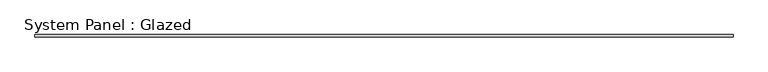
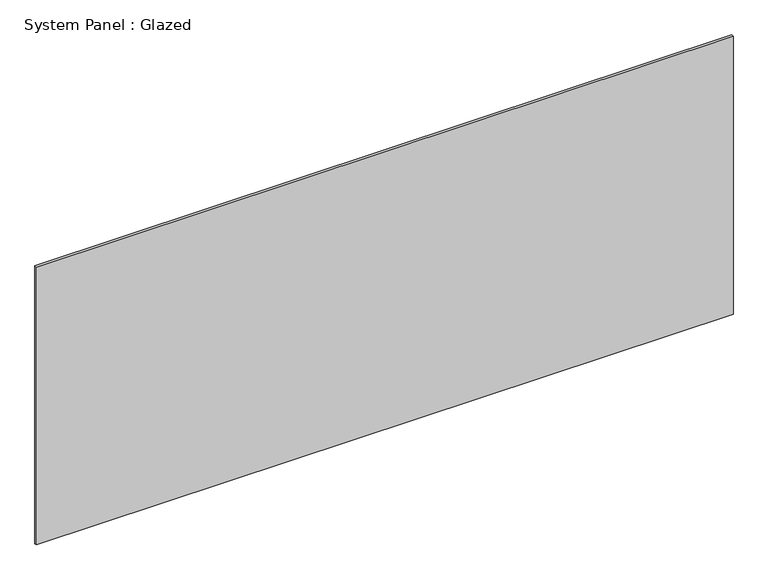
"""IFC4 building model written with IfcOpenShell, lengths in millimetres: plate geometry, System Panel : Glazed."""

import ifcopenshell
import ifcopenshell.guid

model = None  # the IFC model being written
_history = None  # IfcOwnerHistory: only IFC2X3 demands one
_inside = {}  # id of a spatial element -> (the spatial element, [elements in it])
_under = {}  # id of a project, library or spatial element -> (it, [spatial elements below it])
_declared = {}  # id of a project -> (the project, [libraries it declares])
_typed = {}  # id of a type object -> (the type object, [elements of that type])
_made_of = {}  # id of a material, layer set ... -> (it, [elements and type objects made of it])


def new_model(schema):
    """Start an empty IFC model of exactly this schema.

    Asked for "IFC4X3", IfcOpenShell would pick the latest addendum, in which some entities
    have other attributes; the version numbers below select the first issue.
    IFC2X3 requires an IfcOwnerHistory on every rooted entity: one is made here for all.
    """
    global model, _history
    if schema == "IFC4X3":
        model = ifcopenshell.file(schema_version=(4, 3, 0, 0))
    else:
        model = ifcopenshell.file(schema=schema)
    _inside.clear()
    _under.clear()
    _declared.clear()
    _typed.clear()
    _made_of.clear()
    _history = None
    if model.schema == "IFC2X3":
        org = make("IfcOrganization", Name="unknown")
        user = make(
            "IfcPersonAndOrganization",
            ThePerson=make("IfcPerson", FamilyName="unknown"),
            TheOrganization=org,
        )
        app = make(
            "IfcApplication",
            ApplicationDeveloper=org,
            Version="unknown",
            ApplicationFullName="unknown",
            ApplicationIdentifier="unknown",
        )
        _history = make(
            "IfcOwnerHistory",
            OwningUser=user,
            OwningApplication=app,
            ChangeAction="ADDED",
            CreationDate=0,
        )
    return model


def make(cls, **values):
    """One entity of the class cls with the attributes given. An attribute that is None is left unset."""
    return model.create_entity(
        cls, **{name: value for name, value in values.items() if value is not None}
    )


def rooted(cls, **values):
    """An entity with a GlobalId (a new one), such as an element, a storey or a relation."""
    return make(cls, GlobalId=ifcopenshell.guid.new(), OwnerHistory=_history, **values)


def si_unit(unit_type, name, prefix=None):
    """IfcSIUnit, for example si_unit("LENGTHUNIT", "METRE", prefix="MILLI")."""
    return make("IfcSIUnit", UnitType=unit_type, Prefix=prefix, Name=name)


def assignment(units):
    """IfcUnitAssignment: the units of a project."""
    return None if units is None else make("IfcUnitAssignment", Units=units)


def point(xyz):
    """IfcCartesianPoint."""
    return None if xyz is None else make("IfcCartesianPoint", Coordinates=xyz)


def direction(xyz):
    """IfcDirection."""
    return None if xyz is None else make("IfcDirection", DirectionRatios=xyz)


def frame(location, z_axis=None, x_axis=None):
    """IfcAxis2Placement3D, a coordinate frame: its origin and axes. An axis left out is left unset."""
    return make(
        "IfcAxis2Placement3D",
        Location=point(location),
        Axis=direction(z_axis),
        RefDirection=direction(x_axis),
    )


def origin():
    """The frame at (0, 0, 0) with its axes left unset."""
    return frame((0.0, 0.0, 0.0))


def origin_with_axes():
    """The frame at (0, 0, 0) with the z axis (0, 0, 1) and the x axis (1, 0, 0) written out."""
    return frame((0.0, 0.0, 0.0), z_axis=(0.0, 0.0, 1.0), x_axis=(1.0, 0.0, 0.0))


def place(relative_to, where):
    """IfcLocalPlacement: puts the frame where relative to a parent placement (None: the world)."""
    return make(
        "IfcLocalPlacement", PlacementRelTo=relative_to, RelativePlacement=where
    )


def context(
    kind, dimensions, precision=None, world=None, true_north=None, identifier=None
):
    """IfcGeometricRepresentationContext, for example the 3D "Model" context."""
    return make(
        "IfcGeometricRepresentationContext",
        ContextIdentifier=identifier,
        ContextType=kind,
        CoordinateSpaceDimension=dimensions,
        Precision=precision,
        WorldCoordinateSystem=world,
        TrueNorth=true_north,
    )


def project(units=None, contexts=None):
    """IfcProject with its units and contexts."""
    return rooted(
        "IfcProject",
        Name="project",
        RepresentationContexts=contexts,
        UnitsInContext=assignment(units),
    )


def spatial(cls, under=None, at=None, **own):
    """A site, building, storey or space (cls), placed at a placement, below another one or the project."""
    s = rooted(cls, ObjectPlacement=at, **own)
    if under is not None:
        _under.setdefault(under.id(), (under, []))[1].append(s)
    return s


def polyline(points):
    """IfcPolyline through the points."""
    return make("IfcPolyline", Points=[point(p) for p in points])


def outline(outer, holes=None, kind="AREA"):
    """IfcArbitraryClosedProfileDef: a profile drawn as a closed curve; with holes, ...WithVoids."""
    if holes is None:
        return make("IfcArbitraryClosedProfileDef", ProfileType=kind, OuterCurve=outer)
    return make(
        "IfcArbitraryProfileDefWithVoids",
        ProfileType=kind,
        OuterCurve=outer,
        InnerCurves=holes,
    )


def extrude(swept, where, along, depth):
    """IfcExtrudedAreaSolid: the profile swept, set in the frame where, extruded along a direction by depth."""
    return make(
        "IfcExtrudedAreaSolid",
        SweptArea=swept,
        Position=where,
        ExtrudedDirection=direction(along),
        Depth=depth,
    )


def shape(context_of_items, identifier, shape_type, items):
    """IfcShapeRepresentation: the items that make up one representation, for example the "Body"."""
    return make(
        "IfcShapeRepresentation",
        ContextOfItems=context_of_items,
        RepresentationIdentifier=identifier,
        RepresentationType=shape_type,
        Items=items,
    )


def source(mapping_origin, context_of_items, identifier, shape_type, items):
    """IfcRepresentationMap: a shape defined once, which mapped items show again and again."""
    return make(
        "IfcRepresentationMap",
        MappingOrigin=mapping_origin,
        MappedRepresentation=shape(context_of_items, identifier, shape_type, items),
    )


def transform(
    local_origin,
    x_axis=None,
    y_axis=None,
    z_axis=None,
    scale=None,
    scale2=None,
    scale3=None,
    uniform=True,
):
    """IfcCartesianTransformationOperator3D, or its non-uniform kind. x_axis, y_axis, z_axis: its Axis1, 2, 3."""
    if uniform:
        return make(
            "IfcCartesianTransformationOperator3D",
            Axis1=direction(x_axis),
            Axis2=direction(y_axis),
            LocalOrigin=point(local_origin),
            Scale=scale,
            Axis3=direction(z_axis),
        )
    return make(
        "IfcCartesianTransformationOperator3DnonUniform",
        Axis1=direction(x_axis),
        Axis2=direction(y_axis),
        LocalOrigin=point(local_origin),
        Scale=scale,
        Axis3=direction(z_axis),
        Scale2=scale2,
        Scale3=scale3,
    )


def mapped(mapping_source, mapping_target):
    """IfcMappedItem: shows the shape of a source again, moved by a transform."""
    return make(
        "IfcMappedItem", MappingSource=mapping_source, MappingTarget=mapping_target
    )


def made_of(thing, what):
    """Note that an element or type object is made of a material, layer set ...; save() writes the relation."""
    if what is not None:
        _made_of.setdefault(what.id(), (what, []))[1].append(thing)
    return thing


def element(
    cls,
    number,
    at=None,
    inside=None,
    cuts=None,
    type_object=None,
    material=None,
    context=None,
    identifier="Body",
    shape_type=None,
    held_by="IfcProductDefinitionShape",
    body=None,
    shapes=None,
    **own,
):
    """One element of the class cls, such as IfcWall. Its Tag is "e" and its number.

    at: its placement. inside: the storey or other place that contains it. cuts: it is an
    opening in that element (IfcRelVoidsElement). A single representation is given by context,
    identifier, shape_type and body (its items); several are given by shapes. held_by: the class
    of the entity that holds the representations. save() writes the other relations.
    """
    e = rooted(cls, Tag="e%d" % number, ObjectPlacement=at, **own)
    if body is not None:
        shapes = [shape(context, identifier, shape_type, body)]
    if shapes is not None:
        e.Representation = make(held_by, Representations=shapes)
    if inside is not None:
        _inside.setdefault(inside.id(), (inside, []))[1].append(e)
    if cuts is not None:
        rooted(
            "IfcRelVoidsElement", RelatingBuildingElement=cuts, RelatedOpeningElement=e
        )
    if type_object is not None:
        _typed.setdefault(type_object.id(), (type_object, []))[1].append(e)
    return made_of(e, material)


def aggregate(whole, parts):
    """IfcRelAggregates: a whole, such as a stair, and the parts it consists of."""
    return rooted("IfcRelAggregates", RelatingObject=whole, RelatedObjects=parts)


def save(model, path):
    """Write the relations noted so far, then the file.

    IfcRelAggregates (storeys below a building ...), IfcRelContainedInSpatialStructure (elements
    in a storey), IfcRelDefinesByType, IfcRelAssociatesMaterial and IfcRelDeclares: one each for
    every whole, place, type object, material and project.
    """
    for whole, parts in _under.values():
        aggregate(whole, parts)
    for where, things in _inside.values():
        rooted(
            "IfcRelContainedInSpatialStructure",
            RelatedElements=things,
            RelatingStructure=where,
        )
    for kind, things in _typed.values():
        rooted("IfcRelDefinesByType", RelatedObjects=things, RelatingType=kind)
    for what, things in _made_of.values():
        rooted("IfcRelAssociatesMaterial", RelatedObjects=things, RelatingMaterial=what)
    for by, libraries in _declared.values():
        rooted("IfcRelDeclares", RelatingContext=by, RelatedDefinitions=libraries)
    model.write(path)


def system_panel_glazed_4130ef6a(model_context):
    return source(origin(), model_context, "Body", "SweptSolid", [
        extrude(outline(polyline([(3614.2117709, 19.05), (-3614.2117709, 19.05), (-3614.2117709, 44.45), (3614.2117709, 44.45), (3614.2117709, 19.05)])), origin_with_axes(), (0.0, 0.0, 1.0), 3048.0),
    ])


if __name__ == "__main__":
    model = new_model("IFC4")
    model_context = context("Model", 3, world=origin())
    ifc_project = project(units=[si_unit("LENGTHUNIT", "METRE", prefix="MILLI")], contexts=[model_context])
    site = spatial("IfcSite", under=ifc_project)
    building = spatial("IfcBuilding", under=site)
    placement = place(None, origin())
    system_panel_glazed_shape = system_panel_glazed_4130ef6a(model_context)
    element("IfcPlate", 1, ObjectType="System Panel : Glazed", at=placement, inside=building, context=model_context, shape_type="MappedRepresentation", body=[
        mapped(system_panel_glazed_shape, transform((0.0, 0.0, 0.0), x_axis=(1.0, 0.0, 0.0), y_axis=(0.0, 1.0, 0.0), z_axis=(0.0, 0.0, 1.0))),
    ])
    save(model, "model.ifc")
